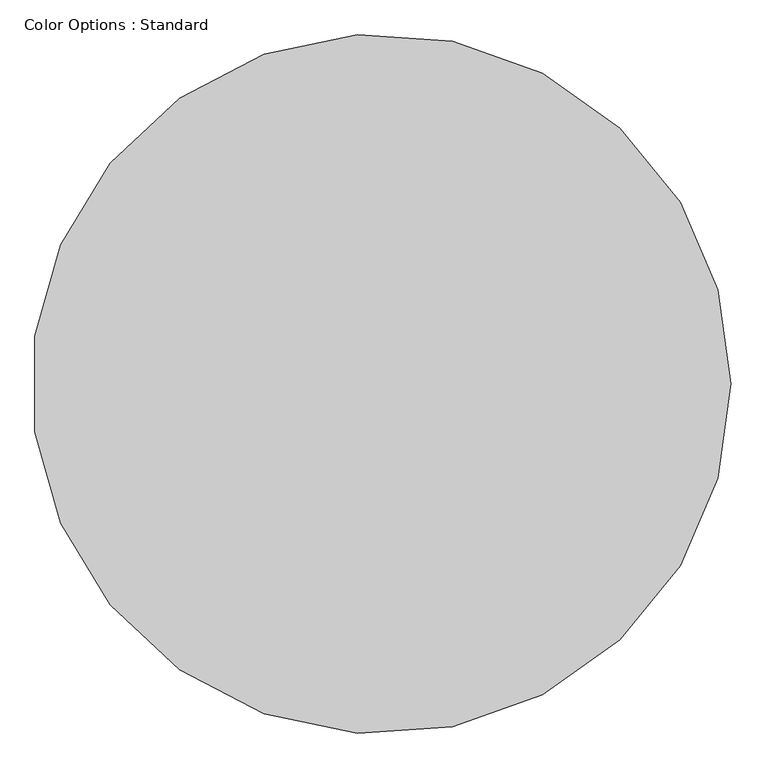
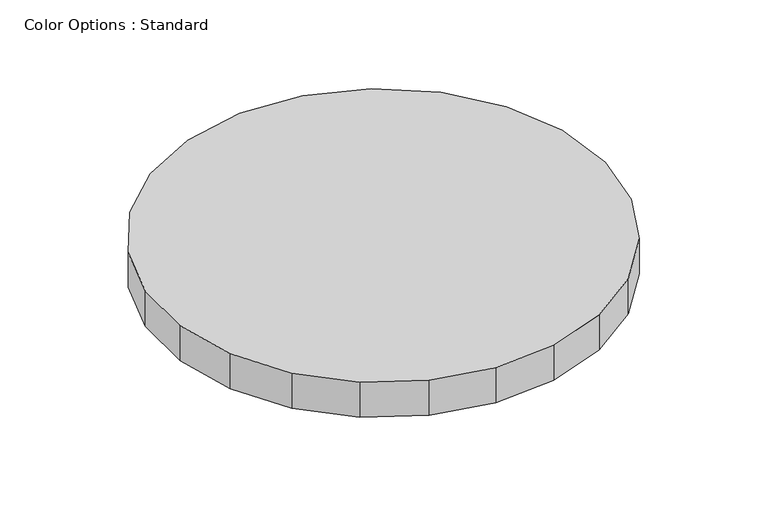
"""IFC4 building model written with IfcOpenShell, lengths in millimetres: proxy geometry, Color Options : Standard."""

from ifc_helpers import new_model, si_unit, origin, origin_with_axes, place, context, project, spatial, polyline, outline, extrude, source, transform, mapped, element, save


def color_options_standard_d806acce(model_context):
    return source(origin(), model_context, "Body", "SweptSolid", [
        extrude(outline(polyline([(68912.3654247, -31323.7079229), (69183.6328843, -33297.3252632), (68912.3654247, -35270.9426036), (68118.6817125, -37098.1857745), (66861.4456376, -38643.5365091), (65233.9006483, -39792.3832129), (63356.754311, -40459.5211814), (61369.2259821, -40595.4718436), (59418.7215454, -40190.1523607), (57649.900992, -39273.6234246), (56193.9496506, -37913.8597936), (55158.8487716, -36211.7089157), (54621.3670519, -34293.4115347), (54621.3670519, -32301.2389918), (55158.8487716, -30382.9416108), (56193.9496506, -28680.7907329), (57649.900992, -27321.0271019), (59418.7215454, -26404.4981657), (61369.2259821, -25999.1786828), (63356.754311, -26135.129345), (65233.9006483, -26802.2673136), (66861.4456376, -27951.1140173), (68118.6817125, -29496.4647519), (68912.3654247, -31323.7079229)])), origin_with_axes(), (0.0, 0.0, 1.0), 1219.2),
    ])


if __name__ == "__main__":
    model = new_model("IFC4")
    model_context = context("Model", 3, world=origin())
    ifc_project = project(units=[si_unit("LENGTHUNIT", "METRE", prefix="MILLI")], contexts=[model_context])
    site = spatial("IfcSite", under=ifc_project)
    building = spatial("IfcBuilding", under=site)
    placement = place(None, origin())
    color_options_standard_shape = color_options_standard_d806acce(model_context)
    element("IfcBuildingElementProxy", 1, Name="Color Options : Standard", ObjectType="Color Options : Standard", at=placement, inside=building, context=model_context, shape_type="MappedRepresentation", body=[
        mapped(color_options_standard_shape, transform((0.0, 0.0, 0.0), x_axis=(1.0, 0.0, 0.0), y_axis=(0.0, 1.0, 0.0), z_axis=(0.0, 0.0, 1.0))),
    ])
    save(model, "model.ifc")
